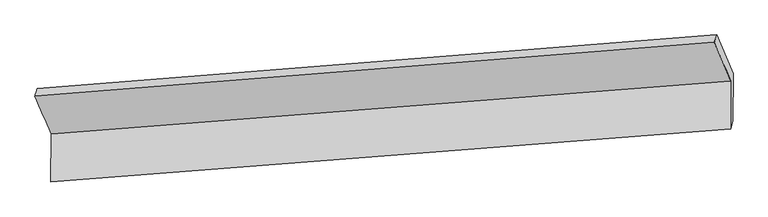
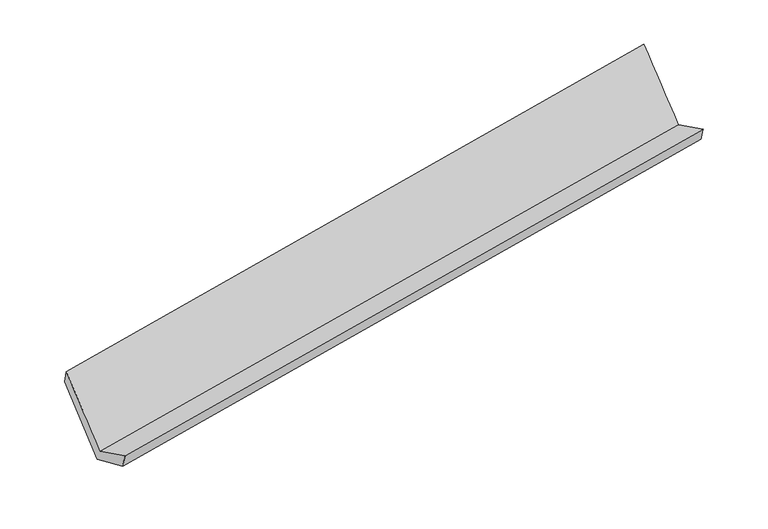
"""IFC4 building model written with IfcOpenShell, lengths in millimetres: proxy geometry."""

from ifc_helpers import new_model, si_unit, frame, origin, place, context, project, spatial, source, transform, mapped, element, save
from ifc_brep_helpers import plane_surface, spline_surface, advanced_brep


def generic_models_26fc6d29(model_context):
    return source(origin(), model_context, "Body", "AdvancedBrep", [
        advanced_brep(
        [(-5550.4248234, -1424.0269009, 1872.5075487), (-5426.7193066, -1715.1127891, 1288.3655142), (-228.8277749, -1309.2518346, 2183.2178868), (-354.9327317, -1013.4449317, 2776.8319719), (-5427.6216576, -2083.5910098, 1471.7921091), (-229.7275836, -1676.6918833, 2366.127685), (-5408.4750577, -2016.5371463, 1327.183585), (-211.7319827, -1614.1557394, 2230.7719624), (-5411.9484254, -1640.167258, 1165.5818083), (-210.847985, -1253.1721373, 2051.0761507), (-5533.2714012, -1366.8844403, 1744.3698954), (-337.7024323, -955.6071395, 2648.218314)],
        [
            (0, 1),
            (1, 2),
            (2, 3),
            (3, 0),
            (1, 4),
            (4, 5),
            (5, 2),
            (4, 6),
            (6, 7),
            (7, 5),
            (6, 8),
            (8, 9),
            (9, 7),
            (8, 10),
            (10, 11),
            (11, 9),
            (10, 0),
            (3, 11),
        ],
        [
            spline_surface(1, 1, [[(-5550.4248234, -1424.0269009, 1872.5075487), (-354.9327317, -1013.4449317, 2776.8319719)], [(-5426.7193066, -1715.1127891, 1288.3655142), (-228.8277749, -1309.2518346, 2183.2178868)]], [2, 2], [2, 2], [0.0, 1.0], [0.0, 1.0]),
            plane_surface(frame((-5427.1704821, -1899.3518995, 1380.0788117), z_axis=(-0.1856272584480782, 0.43825295115926227, 0.8794753388931652), x_axis=(-0.0021922505222291984, -0.8952132460488722, 0.44563262687587113))),
            spline_surface(1, 1, [[(-5427.6216576, -2083.5910098, 1471.7921091), (-229.7275836, -1676.6918833, 2366.127685)], [(-5408.4750577, -2016.5371463, 1327.183585), (-211.7319827, -1614.1557394, 2230.7719624)]], [2, 2], [2, 2], [0.0, 1.0], [0.0, 1.0]),
            spline_surface(1, 1, [[(-5408.4750577, -2016.5371463, 1327.183585), (-211.7319827, -1614.1557394, 2230.7719624)], [(-5411.9484254, -1640.167258, 1165.5818083), (-210.847985, -1253.1721373, 2051.0761507)]], [2, 2], [2, 2], [0.0, 1.0], [0.0, 1.0]),
            spline_surface(1, 1, [[(-5411.9484254, -1640.167258, 1165.5818083), (-210.847985, -1253.1721373, 2051.0761507)], [(-5533.2714012, -1366.8844403, 1744.3698954), (-337.7024323, -955.6071395, 2648.218314)]], [2, 2], [2, 2], [0.0, 1.0], [0.0, 1.0]),
            spline_surface(1, 1, [[(-5533.2714012, -1366.8844403, 1744.3698954), (-337.7024323, -955.6071395, 2648.218314)], [(-5550.4248234, -1424.0269009, 1872.5075487), (-354.9327317, -1013.4449317, 2776.8319719)]], [2, 2], [2, 2], [0.0, 1.0], [0.0, 1.0]),
            plane_surface(frame((-262.2950817, -1303.720611, 2376.0406618), z_axis=(0.9823974183637306, 0.08131212585478877, 0.16817743778893887), x_axis=(-0.18679000623674918, 0.43815702925731587, 0.8792769252530621))),
            plane_surface(frame((-5459.7434453, -1707.7199241, 1478.3000768), z_axis=(-0.9825042079982513, -0.08106123621800115, -0.16767396115240532), x_axis=(0.12135747223987679, 0.40427295120016354, -0.9065515676780102))),
        ],
        [
            (0, [[1, 2, 3, 4]]),
            (1, [[5, 6, 7, -2]]),
            (2, [[8, 9, 10, -6]]),
            (3, [[11, 12, 13, -9]]),
            (4, [[14, 15, 16, -12]]),
            (5, [[17, -4, 18, -15]]),
            (6, [[-16, -18, -3, -7, -10, -13]]),
            (7, [[-17, -14, -11, -8, -5, -1]]),
        ],
    ),
    ])


if __name__ == "__main__":
    model = new_model("IFC4")
    model_context = context("Model", 3, world=origin())
    ifc_project = project(units=[si_unit("LENGTHUNIT", "METRE", prefix="MILLI")], contexts=[model_context])
    site = spatial("IfcSite", under=ifc_project)
    building = spatial("IfcBuilding", under=site)
    placement = place(None, origin())
    generic_models_shape = generic_models_26fc6d29(model_context)
    element("IfcBuildingElementProxy", 1, Name="Generic Models", at=placement, inside=building, context=model_context, shape_type="MappedRepresentation", body=[
        mapped(generic_models_shape, transform((0.0, 0.0, 0.0), x_axis=(1.0, 0.0, 0.0), y_axis=(0.0, 1.0, 0.0), z_axis=(0.0, 0.0, 1.0))),
    ])
    save(model, "model.ifc")
